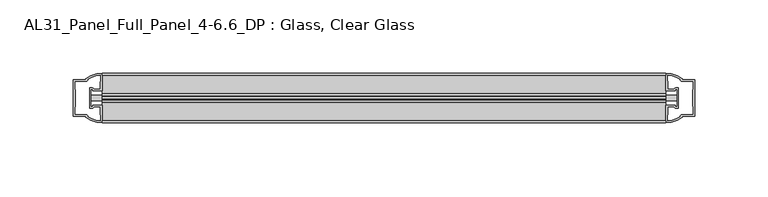
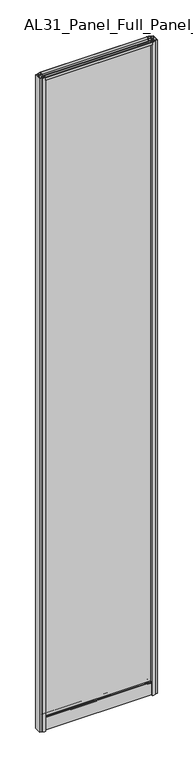
"""IFC4 building model written with IfcOpenShell, lengths in millimetres: plate geometry, AL31_Panel_Full_Panel_4-6.6_DP : Glass, Clear Glass."""

from ifc_helpers import new_model, si_unit, point, frame, frame_2d, origin, origin_with_axes, place, context, project, spatial, polyline, circle_curve, trimmed, segment, composite_curve, outline, extrude, source, transform, mapped, element, save


def al31_panel_full_panel_4_6_6_dp_glass_clear_glass_ed753cce(model_context):
    return source(origin(), model_context, "Body", "SweptSolid", [
        extrude(outline(composite_curve([segment(polyline([(18.457, 2480.4980762), (19.007, 2479.5454483)]), True, "CONTINUOUS"), segment(trimmed(circle_curve(frame_2d((19.957, 2477.9)), 1.9), [point((19.007, 2479.5454483))], [point((20.907, 2479.5454483))], True, "CARTESIAN"), True, "CONTINUOUS"), segment(polyline([(20.907, 2479.5454483), (21.457, 2480.4980762)]), True, "CONTINUOUS"), segment(trimmed(circle_curve(frame_2d((19.957, 2477.9)), 3.0), [point((21.457, 2480.4980762))], [point((22.4288414, 2476.2))], False, "CARTESIAN"), True, "CONTINUOUS"), segment(polyline([(22.4288414, 2476.2), (35.557, 2476.2), (35.557, 2485.6), (36.857, 2485.6), (36.857, 2475.1), (26.5594688, 2475.1), (26.5594688, 2474.3), (26.0538782, 2472.3785039), (26.0538782, 2467.7), (24.857, 2467.7), (24.857, 2473.0339746), (25.357, 2473.9), (25.357, 2475.1), (14.357, 2475.1), (14.357, 2473.9), (14.857, 2473.0339746), (14.857, 2467.7), (13.6601218, 2467.7), (13.6601218, 2472.3785039), (13.1545312, 2474.3), (13.1545312, 2475.1), (2.857, 2475.1), (2.857, 2485.6), (4.157, 2485.6), (4.157, 2476.2), (17.4851586, 2476.2)]), True, "CONTINUOUS"), segment(trimmed(circle_curve(frame_2d((19.957, 2477.9)), 3.0), [point((17.4851586, 2476.2))], [point((18.457, 2480.4980762))], False, "CARTESIAN"), True, "CONTINUOUS")], self_intersect=False)), frame((-192.5, 0.0, 0.0), z_axis=(1.0, 0.0, 0.0), x_axis=(0.0, 1.0, 0.0)), (0.0, 0.0, 1.0), 385.0),
        extrude(outline(composite_curve([segment(trimmed(circle_curve(frame_2d((11.457, 34.8)), 1.0), [point((11.457, 35.8))], [point((10.457, 34.8))], True, "CARTESIAN"), True, "CONTINUOUS"), segment(polyline([(10.457, 34.8), (10.457, 33.5), (14.8569697, 33.5), (14.8569697, 32.3), (10.457, 32.3), (10.457, 0.0), (9.257, 0.0), (9.257, 47.3)]), True, "CONTINUOUS"), segment(trimmed(circle_curve(frame_2d((11.257, 47.3)), 2.0), [point((9.257, 47.3))], [point((11.257, 49.3))], False, "CARTESIAN"), True, "CONTINUOUS"), segment(polyline([(11.257, 49.3), (14.857, 49.3), (14.857, 41.9), (24.857, 41.9), (24.857, 49.3), (28.457, 49.3)]), True, "CONTINUOUS"), segment(trimmed(circle_curve(frame_2d((28.457, 47.3)), 2.0), [point((28.457, 49.3))], [point((30.457, 47.3))], False, "CARTESIAN"), True, "CONTINUOUS"), segment(polyline([(30.457, 47.3), (30.457, 0.0), (29.257, 0.0), (29.257, 32.3), (24.8569697, 32.3), (24.8569697, 33.5), (29.257, 33.5), (29.257, 34.8)]), True, "CONTINUOUS"), segment(trimmed(circle_curve(frame_2d((28.257, 34.8)), 1.0), [point((29.257, 34.8))], [point((28.257, 35.8))], True, "CARTESIAN"), True, "CONTINUOUS"), segment(polyline([(28.257, 35.8), (11.457, 35.8)]), True, "CONTINUOUS")], self_intersect=False), holes=[composite_curve([segment(trimmed(circle_curve(frame_2d((25.3594688, 41.8)), 1.0), [point((26.3594688, 41.8))], [point((25.3594688, 40.8))], False, "CARTESIAN"), True, "CONTINUOUS"), segment(polyline([(25.3594688, 40.8), (22.6578965, 40.8), (22.6578965, 39.7274194), (21.6940508, 39.7274194)]), True, "CONTINUOUS"), segment(trimmed(circle_curve(frame_2d((19.857, 38.7)), 2.1048387), [point((21.6940508, 39.7274194))], [point((18.0199492, 39.7274194))], True, "CARTESIAN"), True, "CONTINUOUS"), segment(polyline([(18.0199492, 39.7274194), (17.0561035, 39.7274194), (17.0561035, 40.8), (14.3545312, 40.8)]), True, "CONTINUOUS"), segment(trimmed(circle_curve(frame_2d((14.3545312, 41.8)), 1.0), [point((14.3545312, 40.8))], [point((13.3545312, 41.8))], False, "CARTESIAN"), True, "CONTINUOUS"), segment(polyline([(13.3545312, 41.8), (13.3545312, 42.7)]), True, "CONTINUOUS"), segment(trimmed(circle_curve(frame_2d((14.5545312, 42.7)), 1.2), [point((13.3545312, 42.7))], [point((13.7371816, 43.5786009))], False, "CARTESIAN"), True, "CONTINUOUS"), segment(polyline([(13.7371816, 43.5786009), (13.7371816, 48.2), (11.457, 48.2)]), True, "CONTINUOUS"), segment(trimmed(circle_curve(frame_2d((11.457, 47.2)), 1.0), [point((11.457, 48.2))], [point((10.457, 47.2))], True, "CARTESIAN"), True, "CONTINUOUS"), segment(polyline([(10.457, 47.2), (10.457, 37.04), (17.0561035, 37.04), (17.0561035, 38.0725806), (18.0199492, 38.0725806)]), True, "CONTINUOUS"), segment(trimmed(circle_curve(frame_2d((19.857, 39.1)), 2.1048387), [point((18.0199492, 38.0725806))], [point((21.6940508, 38.0725806))], True, "CARTESIAN"), True, "CONTINUOUS"), segment(polyline([(21.6940508, 38.0725806), (22.6578965, 38.0725806), (22.6578965, 37.04), (29.257, 37.04), (29.257, 47.2)]), True, "CONTINUOUS"), segment(trimmed(circle_curve(frame_2d((28.257, 47.2)), 1.0), [point((29.257, 47.2))], [point((28.257, 48.2))], True, "CARTESIAN"), True, "CONTINUOUS"), segment(polyline([(28.257, 48.2), (25.9768184, 48.2), (25.9768184, 43.7786009)]), True, "CONTINUOUS"), segment(trimmed(circle_curve(frame_2d((25.1594688, 42.9)), 1.2), [point((25.9768184, 43.7786009))], [point((26.3594688, 42.9))], False, "CARTESIAN"), True, "CONTINUOUS"), segment(polyline([(26.3594688, 42.9), (26.3594688, 41.8)]), True, "CONTINUOUS")], self_intersect=False)]), frame((-192.5, 0.0, 0.0), z_axis=(1.0, 0.0, 0.0), x_axis=(0.0, 1.0, 0.0)), (0.0, 0.0, 1.0), 385.0),
        extrude(outline(composite_curve([segment(polyline([(-200.3414214, 25.757), (-200.3414214, 13.957), (-199.1414214, 13.957), (-199.1414214, 14.857), (-192.5, 14.857), (-192.5, 2.8566686)]), True, "CONTINUOUS"), segment(trimmed(circle_curve(frame_2d((-192.1353484, 22.8533441)), 20.0), [point((-192.5, 2.8566686))], [point((-203.8558352, 6.6474751))], False, "CARTESIAN"), True, "CONTINUOUS"), segment(polyline([(-203.8558352, 6.6474751), (-203.8558352, 7.4849343), (-212.5, 7.4849343), (-212.5, 32.1849343), (-203.8558352, 32.1849343), (-203.8558352, 33.0663388)]), True, "CONTINUOUS"), segment(trimmed(circle_curve(frame_2d((-192.1353484, 16.8604698)), 20.0), [point((-203.8558352, 33.0663388))], [point((-192.5, 36.8571453))], False, "CARTESIAN"), True, "CONTINUOUS"), segment(polyline([(-192.5, 36.8571453), (-192.5, 24.857), (-199.1414214, 24.857), (-199.1414214, 25.757), (-200.3414214, 25.757)]), True, "CONTINUOUS")], self_intersect=False), holes=[composite_curve([segment(polyline([(-199.3414214, 12.657), (-201.6414214, 12.657), (-201.6414214, 27.057), (-199.3414214, 27.057)]), True, "CONTINUOUS"), segment(trimmed(circle_curve(frame_2d((-199.3414214, 25.557)), 1.5), [point((-199.3414214, 27.057))], [point((-197.9662696, 26.1561308))], False, "CARTESIAN"), True, "CONTINUOUS"), segment(polyline([(-197.9662696, 26.1561308), (-194.2414214, 26.1561308), (-194.2414214, 30.7520916), (-193.8020815, 31.8127518), (-193.8020815, 35.4628503)]), True, "CONTINUOUS"), segment(trimmed(circle_curve(frame_2d((-192.1353484, 16.8372765)), 18.7), [point((-193.8020815, 35.4628503))], [point((-202.1421262, 32.6345673))], True, "CARTESIAN"), True, "CONTINUOUS"), segment(trimmed(circle_curve(frame_2d((-203.9414214, 32.6849343)), 1.8), [point((-202.1421262, 32.6345673))], [point((-203.9414214, 30.8849343))], False, "CARTESIAN"), True, "CONTINUOUS"), segment(polyline([(-203.9414214, 30.8849343), (-211.1414214, 30.8849343), (-211.1414214, 26.2449987), (-210.6414214, 25.2520916), (-210.6414214, 14.417777), (-211.0828427, 13.3550394), (-211.0828427, 8.7849343), (-203.9414214, 8.7849343)]), True, "CONTINUOUS"), segment(trimmed(circle_curve(frame_2d((-203.9414214, 6.9849343)), 1.8), [point((-203.9414214, 8.7849343))], [point((-202.1421262, 7.0353013))], False, "CARTESIAN"), True, "CONTINUOUS"), segment(trimmed(circle_curve(frame_2d((-192.1353484, 22.8325921)), 18.7), [point((-202.1421262, 7.0353013))], [point((-193.8020815, 4.2070183))], True, "CARTESIAN"), True, "CONTINUOUS"), segment(polyline([(-193.8020815, 4.2070183), (-193.8020815, 7.8571168), (-194.2414214, 8.917777), (-194.2414214, 13.5141269), (-197.9861671, 13.5141269)]), True, "CONTINUOUS"), segment(trimmed(circle_curve(frame_2d((-199.3414214, 14.157)), 1.5), [point((-197.9861671, 13.5141269))], [point((-199.3414214, 12.657))], False, "CARTESIAN"), True, "CONTINUOUS")], self_intersect=False)]), origin_with_axes(), (0.0, 0.0, 1.0), 2485.6),
        extrude(outline(composite_curve([segment(polyline([(200.3414214, 13.957), (200.3414214, 25.757), (199.1414214, 25.757), (199.1414214, 24.857), (192.5, 24.857), (192.5, 36.8573314)]), True, "CONTINUOUS"), segment(trimmed(circle_curve(frame_2d((192.1353484, 16.8606559)), 20.0), [point((192.5, 36.8573314))], [point((203.8558352, 33.0665249))], False, "CARTESIAN"), True, "CONTINUOUS"), segment(polyline([(203.8558352, 33.0665249), (203.8558352, 32.2290657), (212.5, 32.2290657), (212.5, 7.5290657), (203.8558352, 7.5290657), (203.8558352, 6.6476612)]), True, "CONTINUOUS"), segment(trimmed(circle_curve(frame_2d((192.1353484, 22.8535302)), 20.0), [point((203.8558352, 6.6476612))], [point((192.5, 2.8568547))], False, "CARTESIAN"), True, "CONTINUOUS"), segment(polyline([(192.5, 2.8568547), (192.5, 14.857), (199.1414214, 14.857), (199.1414214, 13.957), (200.3414214, 13.957)]), True, "CONTINUOUS")], self_intersect=False), holes=[composite_curve([segment(polyline([(199.3414214, 27.057), (201.6414214, 27.057), (201.6414214, 12.657), (199.3414214, 12.657)]), True, "CONTINUOUS"), segment(trimmed(circle_curve(frame_2d((199.3414214, 14.157)), 1.5), [point((199.3414214, 12.657))], [point((197.9662696, 13.5578692))], False, "CARTESIAN"), True, "CONTINUOUS"), segment(polyline([(197.9662696, 13.5578692), (194.2414214, 13.5578692), (194.2414214, 8.9619084), (193.8020815, 7.9012482), (193.8020815, 4.2511497)]), True, "CONTINUOUS"), segment(trimmed(circle_curve(frame_2d((192.1353484, 22.8767235)), 18.7), [point((193.8020815, 4.2511497))], [point((202.1421262, 7.0794327))], True, "CARTESIAN"), True, "CONTINUOUS"), segment(trimmed(circle_curve(frame_2d((203.9414214, 7.0290657)), 1.8), [point((202.1421262, 7.0794327))], [point((203.9414214, 8.8290657))], False, "CARTESIAN"), True, "CONTINUOUS"), segment(polyline([(203.9414214, 8.8290657), (211.1414214, 8.8290657), (211.1414214, 13.4690013), (210.6414214, 14.4619084), (210.6414214, 25.296223), (211.0828427, 26.3589606), (211.0828427, 30.9290657), (203.9414214, 30.9290657)]), True, "CONTINUOUS"), segment(trimmed(circle_curve(frame_2d((203.9414214, 32.7290657)), 1.8), [point((203.9414214, 30.9290657))], [point((202.1421262, 32.6786987))], False, "CARTESIAN"), True, "CONTINUOUS"), segment(trimmed(circle_curve(frame_2d((192.1353484, 16.8814079)), 18.7), [point((202.1421262, 32.6786987))], [point((193.8020815, 35.5069817))], True, "CARTESIAN"), True, "CONTINUOUS"), segment(polyline([(193.8020815, 35.5069817), (193.8020815, 31.8568832), (194.2414214, 30.796223), (194.2414214, 26.1998731), (197.9861671, 26.1998731)]), True, "CONTINUOUS"), segment(trimmed(circle_curve(frame_2d((199.3414214, 25.557)), 1.5), [point((197.9861671, 26.1998731))], [point((199.3414214, 27.057))], False, "CARTESIAN"), True, "CONTINUOUS")], self_intersect=False)]), origin_with_axes(), (0.0, 0.0, 1.0), 2485.6),
        extrude(outline(polyline([(200.3414214, 17.857), (-200.3414214, 17.857), (-200.3414214, 21.857), (200.3414214, 21.857), (200.3414214, 17.857)])), frame((0.0, 0.0, 41.9), z_axis=(0.0, 0.0, 1.0), x_axis=(1.0, 0.0, 0.0)), (0.0, 0.0, 1.0), 2433.2),
    ])


if __name__ == "__main__":
    model = new_model("IFC4")
    model_context = context("Model", 3, world=origin())
    ifc_project = project(units=[si_unit("LENGTHUNIT", "METRE", prefix="MILLI")], contexts=[model_context])
    site = spatial("IfcSite", under=ifc_project)
    building = spatial("IfcBuilding", under=site)
    placement = place(None, origin())
    al31_panel_full_panel_4_6_6_dp_glass_clear_glass_shape = al31_panel_full_panel_4_6_6_dp_glass_clear_glass_ed753cce(model_context)
    element("IfcPlate", 1, ObjectType="AL31_Panel_Full_Panel_4-6.6_DP : Glass, Clear Glass", at=placement, inside=building, context=model_context, shape_type="MappedRepresentation", body=[
        mapped(al31_panel_full_panel_4_6_6_dp_glass_clear_glass_shape, transform((0.0, 0.0, 0.0), x_axis=(1.0, 0.0, 0.0), y_axis=(0.0, 1.0, 0.0), z_axis=(0.0, 0.0, 1.0))),
    ])
    save(model, "model.ifc")
